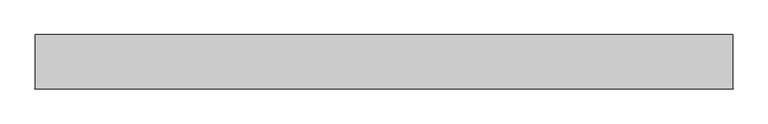
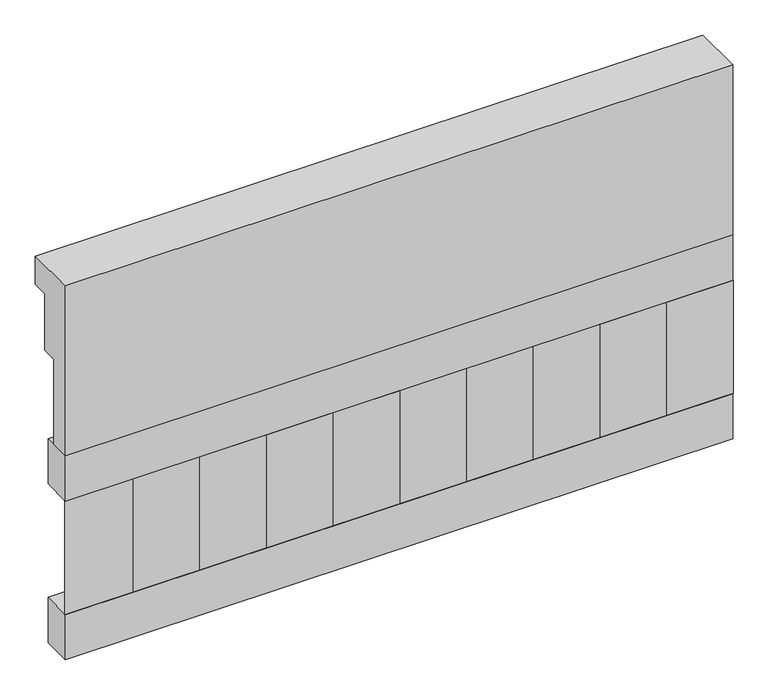
"""IFC4 building model written with IfcOpenShell, lengths in millimetres: railing geometry."""

from ifc_helpers import new_model, si_unit, frame, origin, place, context, project, spatial, polyline, outline, extrude, source, transform, mapped, element, save


def railing_e4ce9e1a(model_context):
    return source(origin(), model_context, "Body", "SweptSolid", [
        extrude(outline(polyline([(903.1079487, 21800.0), (1033.1079487, 21800.0), (1033.1079487, 21725.0), (993.1079487, 21725.0), (993.1079487, 21575.0), (953.1079487, 21575.0), (953.1079487, 21350.0), (903.1079487, 21350.0), (903.1079487, 21800.0)])), frame((-12439.9887159, 0.0, 0.0), z_axis=(1.0, 0.0, 0.0), x_axis=(0.0, 1.0, 0.0)), (0.0, 0.0, 1.0), 1670.0),
        extrude(outline(polyline([(-10769.9887159, 978.1079487), (-10769.9887159, 903.1079487), (-12439.9887159, 903.1079487), (-12439.9887159, 978.1079487), (-10769.9887159, 978.1079487)])), frame((0.0, 0.0, 21230.0), z_axis=(0.0, 0.0, 1.0), x_axis=(1.0, 0.0, 0.0)), (0.0, 0.0, 1.0), 120.0),
        extrude(outline(polyline([(-10769.9887159, 978.1079487), (-10769.9887159, 903.1079487), (-12439.9887159, 903.1079487), (-12439.9887159, 978.1079487), (-10769.9887159, 978.1079487)])), frame((0.0, 0.0, 20810.0), z_axis=(0.0, 0.0, 1.0), x_axis=(1.0, 0.0, 0.0)), (0.0, 0.0, 1.0), 120.0),
        extrude(outline(polyline([(-12356.4887159, 987.9607624), (-12271.6359022, 903.1079487), (-12441.3415296, 903.1079487), (-12356.4887159, 987.9607624)])), frame((0.0, 0.0, 20930.0), z_axis=(0.0, 0.0, 1.0), x_axis=(1.0, 0.0, 0.0)), (0.0, 0.0, 1.0), 300.0),
        extrude(outline(polyline([(-12189.4887159, 987.9607624), (-12104.6359022, 903.1079487), (-12274.3415296, 903.1079487), (-12189.4887159, 987.9607624)])), frame((0.0, 0.0, 20930.0), z_axis=(0.0, 0.0, 1.0), x_axis=(1.0, 0.0, 0.0)), (0.0, 0.0, 1.0), 300.0),
        extrude(outline(polyline([(-12022.4887159, 987.9607624), (-11937.6359022, 903.1079487), (-12107.3415296, 903.1079487), (-12022.4887159, 987.9607624)])), frame((0.0, 0.0, 20930.0), z_axis=(0.0, 0.0, 1.0), x_axis=(1.0, 0.0, 0.0)), (0.0, 0.0, 1.0), 300.0),
        extrude(outline(polyline([(-11855.4887159, 987.9607624), (-11770.6359022, 903.1079487), (-11940.3415296, 903.1079487), (-11855.4887159, 987.9607624)])), frame((0.0, 0.0, 20930.0), z_axis=(0.0, 0.0, 1.0), x_axis=(1.0, 0.0, 0.0)), (0.0, 0.0, 1.0), 300.0),
        extrude(outline(polyline([(-11688.4887159, 987.9607624), (-11603.6359022, 903.1079487), (-11773.3415296, 903.1079487), (-11688.4887159, 987.9607624)])), frame((0.0, 0.0, 20930.0), z_axis=(0.0, 0.0, 1.0), x_axis=(1.0, 0.0, 0.0)), (0.0, 0.0, 1.0), 300.0),
        extrude(outline(polyline([(-11521.4887159, 987.9607624), (-11436.6359022, 903.1079487), (-11606.3415296, 903.1079487), (-11521.4887159, 987.9607624)])), frame((0.0, 0.0, 20930.0), z_axis=(0.0, 0.0, 1.0), x_axis=(1.0, 0.0, 0.0)), (0.0, 0.0, 1.0), 300.0),
        extrude(outline(polyline([(-11354.4887159, 987.9607624), (-11269.6359022, 903.1079487), (-11439.3415296, 903.1079487), (-11354.4887159, 987.9607624)])), frame((0.0, 0.0, 20930.0), z_axis=(0.0, 0.0, 1.0), x_axis=(1.0, 0.0, 0.0)), (0.0, 0.0, 1.0), 300.0),
        extrude(outline(polyline([(-11187.4887159, 987.9607624), (-11102.6359022, 903.1079487), (-11272.3415296, 903.1079487), (-11187.4887159, 987.9607624)])), frame((0.0, 0.0, 20930.0), z_axis=(0.0, 0.0, 1.0), x_axis=(1.0, 0.0, 0.0)), (0.0, 0.0, 1.0), 300.0),
        extrude(outline(polyline([(-11020.4887159, 987.9607624), (-10935.6359022, 903.1079487), (-11105.3415296, 903.1079487), (-11020.4887159, 987.9607624)])), frame((0.0, 0.0, 20930.0), z_axis=(0.0, 0.0, 1.0), x_axis=(1.0, 0.0, 0.0)), (0.0, 0.0, 1.0), 300.0),
        extrude(outline(polyline([(-10853.4887159, 987.9607624), (-10768.6359022, 903.1079487), (-10938.3415296, 903.1079487), (-10853.4887159, 987.9607624)])), frame((0.0, 0.0, 20930.0), z_axis=(0.0, 0.0, 1.0), x_axis=(1.0, 0.0, 0.0)), (0.0, 0.0, 1.0), 300.0),
    ])


if __name__ == "__main__":
    model = new_model("IFC4")
    model_context = context("Model", 3, world=origin())
    ifc_project = project(units=[si_unit("LENGTHUNIT", "METRE", prefix="MILLI")], contexts=[model_context])
    site = spatial("IfcSite", under=ifc_project)
    building = spatial("IfcBuilding", under=site)
    placement = place(None, origin())
    railing_shape = railing_e4ce9e1a(model_context)
    element("IfcRailing", 1, at=placement, inside=building, context=model_context, shape_type="MappedRepresentation", body=[
        mapped(railing_shape, transform((0.0, 0.0, 0.0), x_axis=(1.0, 0.0, 0.0), y_axis=(0.0, 1.0, 0.0), z_axis=(0.0, 0.0, 1.0))),
    ])
    save(model, "model.ifc")
